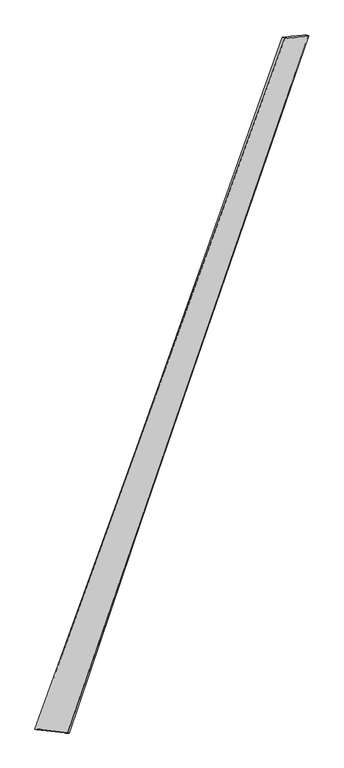
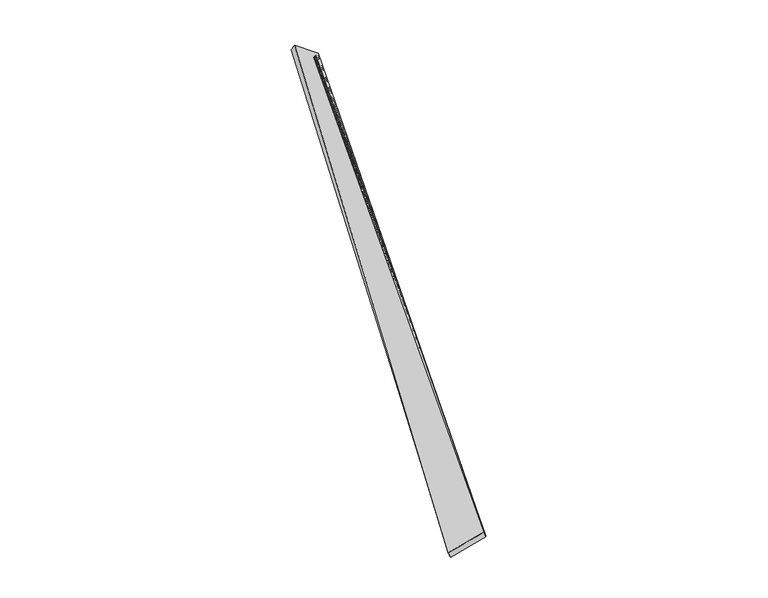
"""IFC4 building model written with IfcOpenShell, lengths in millimetres: proxy geometry."""

from ifc_helpers import new_model, si_unit, origin, place, context, project, spatial, source, transform, mapped, element, save
from ifc_brep_helpers import spline_surface, advanced_brep


def generic_models_7e999694(model_context):
    return source(origin(), model_context, "Body", "AdvancedBrep", [
        advanced_brep(
        [(-715.0153401, -1811.3721949, -34.0717272), (-726.5368635, -1807.8725578, -6.5943358), (719.9422237, 2188.0200876, 75.3655073), (703.9524335, 2194.2057366, 50.7471329), (-535.7094849, -1828.0232993, 62.5006866), (858.6436327, 2202.225355, -28.6516136), (-527.8737821, -1831.2736992, 33.7250604), (838.9366886, 2208.4401575, -50.4004661)],
        [
            (0, 1),
            (1, 2),
            (2, 3),
            (3, 0),
            (1, 4),
            (4, 5),
            (5, 2),
            (4, 6),
            (6, 7),
            (7, 5),
            (6, 0),
            (3, 7),
        ],
        [
            spline_surface(1, 1, [[(-715.0153401, -1811.3721949, -34.0717272), (703.9524335, 2194.2057366, 50.7471329)], [(-726.5368635, -1807.8725578, -6.5943358), (719.9422237, 2188.0200876, 75.3655073)]], [2, 2], [2, 2], [0.0, 1.0], [0.0, 1.0]),
            spline_surface(1, 1, [[(-726.5368635, -1807.8725578, -6.5943358), (719.9422237, 2188.0200876, 75.3655073)], [(-535.7094849, -1828.0232993, 62.5006866), (858.6436327, 2202.225355, -28.6516136)]], [2, 2], [2, 2], [0.0, 1.0], [0.0, 1.0]),
            spline_surface(1, 1, [[(-535.7094849, -1828.0232993, 62.5006866), (858.6436327, 2202.225355, -28.6516136)], [(-527.8737821, -1831.2736992, 33.7250604), (838.9366886, 2208.4401575, -50.4004661)]], [2, 2], [2, 2], [0.0, 1.0], [0.0, 1.0]),
            spline_surface(1, 1, [[(-527.8737821, -1831.2736992, 33.7250604), (838.9366886, 2208.4401575, -50.4004661)], [(-715.0153401, -1811.3721949, -34.0717272), (703.9524335, 2194.2057366, 50.7471329)]], [2, 2], [2, 2], [0.0, 1.0], [0.0, 1.0]),
            spline_surface(1, 1, [[(719.9422237, 2188.0200876, 75.3655073), (703.9524335, 2194.2057366, 50.7471329)], [(858.6436327, 2202.225355, -28.6516136), (838.9366886, 2208.4401575, -50.4004661)]], [2, 2], [2, 2], [0.0, 1.0], [0.0, 1.0]),
            spline_surface(1, 1, [[(-527.8737821, -1831.2736992, 33.7250604), (-715.0153401, -1811.3721949, -34.0717272)], [(-535.7094849, -1828.0232993, 62.5006866), (-726.5368635, -1807.8725578, -6.5943358)]], [2, 2], [2, 2], [0.0, 1.0], [0.0, 1.0]),
        ],
        [
            (0, [[1, 2, 3, 4]]),
            (1, [[5, 6, 7, -2]]),
            (2, [[8, 9, 10, -6]]),
            (3, [[11, -4, 12, -9]]),
            (4, [[-3, -7, -10, -12]]),
            (5, [[-11, -8, -5, -1]]),
        ],
    ),
    ])


if __name__ == "__main__":
    model = new_model("IFC4")
    model_context = context("Model", 3, world=origin())
    ifc_project = project(units=[si_unit("LENGTHUNIT", "METRE", prefix="MILLI")], contexts=[model_context])
    site = spatial("IfcSite", under=ifc_project)
    building = spatial("IfcBuilding", under=site)
    placement = place(None, origin())
    generic_models_shape = generic_models_7e999694(model_context)
    element("IfcBuildingElementProxy", 1, Name="Generic Models", at=placement, inside=building, context=model_context, shape_type="MappedRepresentation", body=[
        mapped(generic_models_shape, transform((0.0, 0.0, 0.0), x_axis=(1.0, 0.0, 0.0), y_axis=(0.0, 1.0, 0.0), z_axis=(0.0, 0.0, 1.0))),
    ])
    save(model, "model.ifc")
